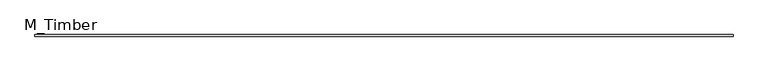
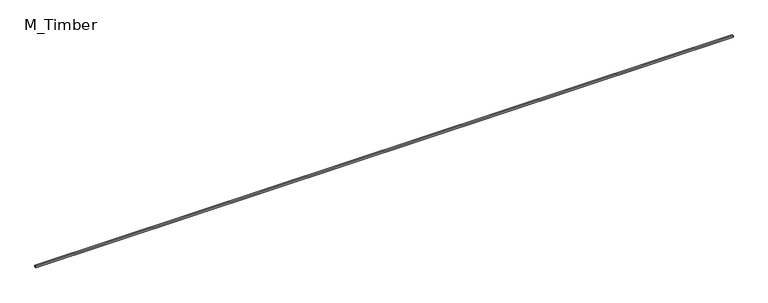
"""IFC4 building model written with IfcOpenShell, lengths in millimetres: beam geometry, M_Timber."""

import ifcopenshell
import ifcopenshell.guid

model = None  # the IFC model being written
_history = None  # IfcOwnerHistory: only IFC2X3 demands one
_inside = {}  # id of a spatial element -> (the spatial element, [elements in it])
_under = {}  # id of a project, library or spatial element -> (it, [spatial elements below it])
_declared = {}  # id of a project -> (the project, [libraries it declares])
_typed = {}  # id of a type object -> (the type object, [elements of that type])
_made_of = {}  # id of a material, layer set ... -> (it, [elements and type objects made of it])


def new_model(schema):
    """Start an empty IFC model of exactly this schema.

    Asked for "IFC4X3", IfcOpenShell would pick the latest addendum, in which some entities
    have other attributes; the version numbers below select the first issue.
    IFC2X3 requires an IfcOwnerHistory on every rooted entity: one is made here for all.
    """
    global model, _history
    if schema == "IFC4X3":
        model = ifcopenshell.file(schema_version=(4, 3, 0, 0))
    else:
        model = ifcopenshell.file(schema=schema)
    _inside.clear()
    _under.clear()
    _declared.clear()
    _typed.clear()
    _made_of.clear()
    _history = None
    if model.schema == "IFC2X3":
        org = make("IfcOrganization", Name="unknown")
        user = make(
            "IfcPersonAndOrganization",
            ThePerson=make("IfcPerson", FamilyName="unknown"),
            TheOrganization=org,
        )
        app = make(
            "IfcApplication",
            ApplicationDeveloper=org,
            Version="unknown",
            ApplicationFullName="unknown",
            ApplicationIdentifier="unknown",
        )
        _history = make(
            "IfcOwnerHistory",
            OwningUser=user,
            OwningApplication=app,
            ChangeAction="ADDED",
            CreationDate=0,
        )
    return model


def make(cls, **values):
    """One entity of the class cls with the attributes given. An attribute that is None is left unset."""
    return model.create_entity(
        cls, **{name: value for name, value in values.items() if value is not None}
    )


def rooted(cls, **values):
    """An entity with a GlobalId (a new one), such as an element, a storey or a relation."""
    return make(cls, GlobalId=ifcopenshell.guid.new(), OwnerHistory=_history, **values)


def si_unit(unit_type, name, prefix=None):
    """IfcSIUnit, for example si_unit("LENGTHUNIT", "METRE", prefix="MILLI")."""
    return make("IfcSIUnit", UnitType=unit_type, Prefix=prefix, Name=name)


def assignment(units):
    """IfcUnitAssignment: the units of a project."""
    return None if units is None else make("IfcUnitAssignment", Units=units)


def point(xyz):
    """IfcCartesianPoint."""
    return None if xyz is None else make("IfcCartesianPoint", Coordinates=xyz)


def direction(xyz):
    """IfcDirection."""
    return None if xyz is None else make("IfcDirection", DirectionRatios=xyz)


def frame(location, z_axis=None, x_axis=None):
    """IfcAxis2Placement3D, a coordinate frame: its origin and axes. An axis left out is left unset."""
    return make(
        "IfcAxis2Placement3D",
        Location=point(location),
        Axis=direction(z_axis),
        RefDirection=direction(x_axis),
    )


def origin():
    """The frame at (0, 0, 0) with its axes left unset."""
    return frame((0.0, 0.0, 0.0))


def place(relative_to, where):
    """IfcLocalPlacement: puts the frame where relative to a parent placement (None: the world)."""
    return make(
        "IfcLocalPlacement", PlacementRelTo=relative_to, RelativePlacement=where
    )


def context(
    kind, dimensions, precision=None, world=None, true_north=None, identifier=None
):
    """IfcGeometricRepresentationContext, for example the 3D "Model" context."""
    return make(
        "IfcGeometricRepresentationContext",
        ContextIdentifier=identifier,
        ContextType=kind,
        CoordinateSpaceDimension=dimensions,
        Precision=precision,
        WorldCoordinateSystem=world,
        TrueNorth=true_north,
    )


def project(units=None, contexts=None):
    """IfcProject with its units and contexts."""
    return rooted(
        "IfcProject",
        Name="project",
        RepresentationContexts=contexts,
        UnitsInContext=assignment(units),
    )


def spatial(cls, under=None, at=None, **own):
    """A site, building, storey or space (cls), placed at a placement, below another one or the project."""
    s = rooted(cls, ObjectPlacement=at, **own)
    if under is not None:
        _under.setdefault(under.id(), (under, []))[1].append(s)
    return s


def polyline(points):
    """IfcPolyline through the points."""
    return make("IfcPolyline", Points=[point(p) for p in points])


def outline(outer, holes=None, kind="AREA"):
    """IfcArbitraryClosedProfileDef: a profile drawn as a closed curve; with holes, ...WithVoids."""
    if holes is None:
        return make("IfcArbitraryClosedProfileDef", ProfileType=kind, OuterCurve=outer)
    return make(
        "IfcArbitraryProfileDefWithVoids",
        ProfileType=kind,
        OuterCurve=outer,
        InnerCurves=holes,
    )


def extrude(swept, where, along, depth):
    """IfcExtrudedAreaSolid: the profile swept, set in the frame where, extruded along a direction by depth."""
    return make(
        "IfcExtrudedAreaSolid",
        SweptArea=swept,
        Position=where,
        ExtrudedDirection=direction(along),
        Depth=depth,
    )


def shape(context_of_items, identifier, shape_type, items):
    """IfcShapeRepresentation: the items that make up one representation, for example the "Body"."""
    return make(
        "IfcShapeRepresentation",
        ContextOfItems=context_of_items,
        RepresentationIdentifier=identifier,
        RepresentationType=shape_type,
        Items=items,
    )


def source(mapping_origin, context_of_items, identifier, shape_type, items):
    """IfcRepresentationMap: a shape defined once, which mapped items show again and again."""
    return make(
        "IfcRepresentationMap",
        MappingOrigin=mapping_origin,
        MappedRepresentation=shape(context_of_items, identifier, shape_type, items),
    )


def transform(
    local_origin,
    x_axis=None,
    y_axis=None,
    z_axis=None,
    scale=None,
    scale2=None,
    scale3=None,
    uniform=True,
):
    """IfcCartesianTransformationOperator3D, or its non-uniform kind. x_axis, y_axis, z_axis: its Axis1, 2, 3."""
    if uniform:
        return make(
            "IfcCartesianTransformationOperator3D",
            Axis1=direction(x_axis),
            Axis2=direction(y_axis),
            LocalOrigin=point(local_origin),
            Scale=scale,
            Axis3=direction(z_axis),
        )
    return make(
        "IfcCartesianTransformationOperator3DnonUniform",
        Axis1=direction(x_axis),
        Axis2=direction(y_axis),
        LocalOrigin=point(local_origin),
        Scale=scale,
        Axis3=direction(z_axis),
        Scale2=scale2,
        Scale3=scale3,
    )


def mapped(mapping_source, mapping_target):
    """IfcMappedItem: shows the shape of a source again, moved by a transform."""
    return make(
        "IfcMappedItem", MappingSource=mapping_source, MappingTarget=mapping_target
    )


def made_of(thing, what):
    """Note that an element or type object is made of a material, layer set ...; save() writes the relation."""
    if what is not None:
        _made_of.setdefault(what.id(), (what, []))[1].append(thing)
    return thing


def element(
    cls,
    number,
    at=None,
    inside=None,
    cuts=None,
    type_object=None,
    material=None,
    context=None,
    identifier="Body",
    shape_type=None,
    held_by="IfcProductDefinitionShape",
    body=None,
    shapes=None,
    **own,
):
    """One element of the class cls, such as IfcWall. Its Tag is "e" and its number.

    at: its placement. inside: the storey or other place that contains it. cuts: it is an
    opening in that element (IfcRelVoidsElement). A single representation is given by context,
    identifier, shape_type and body (its items); several are given by shapes. held_by: the class
    of the entity that holds the representations. save() writes the other relations.
    """
    e = rooted(cls, Tag="e%d" % number, ObjectPlacement=at, **own)
    if body is not None:
        shapes = [shape(context, identifier, shape_type, body)]
    if shapes is not None:
        e.Representation = make(held_by, Representations=shapes)
    if inside is not None:
        _inside.setdefault(inside.id(), (inside, []))[1].append(e)
    if cuts is not None:
        rooted(
            "IfcRelVoidsElement", RelatingBuildingElement=cuts, RelatedOpeningElement=e
        )
    if type_object is not None:
        _typed.setdefault(type_object.id(), (type_object, []))[1].append(e)
    return made_of(e, material)


def aggregate(whole, parts):
    """IfcRelAggregates: a whole, such as a stair, and the parts it consists of."""
    return rooted("IfcRelAggregates", RelatingObject=whole, RelatedObjects=parts)


def save(model, path):
    """Write the relations noted so far, then the file.

    IfcRelAggregates (storeys below a building ...), IfcRelContainedInSpatialStructure (elements
    in a storey), IfcRelDefinesByType, IfcRelAssociatesMaterial and IfcRelDeclares: one each for
    every whole, place, type object, material and project.
    """
    for whole, parts in _under.values():
        aggregate(whole, parts)
    for where, things in _inside.values():
        rooted(
            "IfcRelContainedInSpatialStructure",
            RelatedElements=things,
            RelatingStructure=where,
        )
    for kind, things in _typed.values():
        rooted("IfcRelDefinesByType", RelatedObjects=things, RelatingType=kind)
    for what, things in _made_of.values():
        rooted("IfcRelAssociatesMaterial", RelatedObjects=things, RelatingMaterial=what)
    for by, libraries in _declared.values():
        rooted("IfcRelDeclares", RelatingContext=by, RelatedDefinitions=libraries)
    model.write(path)


def m_timber_caf6a697(model_context):
    return source(origin(), model_context, "Body", "SweptSolid", [
        extrude(outline(polyline([(8533.0394436, 20.0), (8533.0394436, -20.0), (-8533.0394436, -20.0), (-8533.0394436, 20.0), (8533.0394436, 20.0)])), frame((0.0, 0.0, -20.0), z_axis=(0.0, 0.0, 1.0), x_axis=(1.0, 0.0, 0.0)), (0.0, 0.0, 1.0), 40.0),
    ])


if __name__ == "__main__":
    model = new_model("IFC4")
    model_context = context("Model", 3, world=origin())
    ifc_project = project(units=[si_unit("LENGTHUNIT", "METRE", prefix="MILLI")], contexts=[model_context])
    site = spatial("IfcSite", under=ifc_project)
    building = spatial("IfcBuilding", under=site)
    placement = place(None, origin())
    m_timber_shape = m_timber_caf6a697(model_context)
    element("IfcBeam", 1, ObjectType="M_Timber", at=placement, inside=building, context=model_context, shape_type="MappedRepresentation", body=[
        mapped(m_timber_shape, transform((0.0, 0.0, 0.0), x_axis=(1.0, 0.0, 0.0), y_axis=(0.0, 1.0, 0.0), z_axis=(0.0, 0.0, 1.0))),
    ])
    save(model, "model.ifc")
